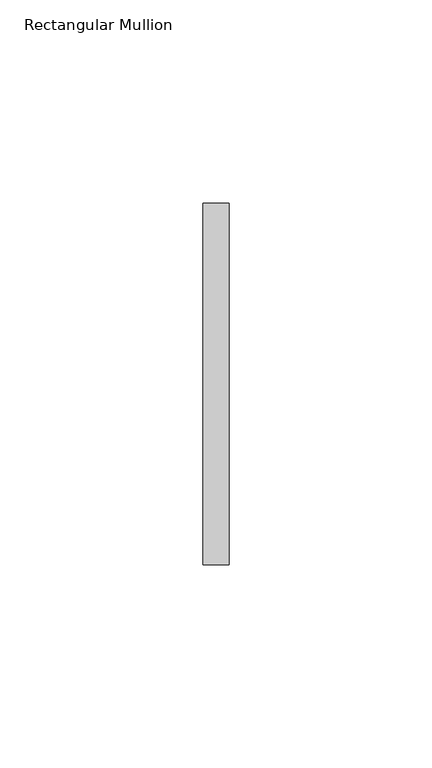
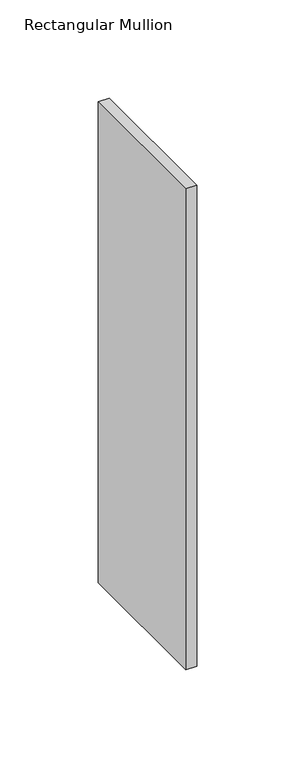
"""IFC4 building model written with IfcOpenShell, lengths in millimetres: member geometry, Rectangular Mullion."""

from ifc_helpers import new_model, si_unit, frame, origin, place, context, project, spatial, polyline, outline, extrude, source, transform, mapped, element, save


def rectangular_mullion_31f13742(model_context):
    return source(origin(), model_context, "Body", "SweptSolid", [
        extrude(outline(polyline([(0.0, 44.45), (0.0, -44.45), (-6.35, -44.45), (-6.35, 44.45), (0.0, 44.45)])), frame((0.0, 0.0, -298.45), z_axis=(0.0, 0.0, 1.0), x_axis=(1.0, 0.0, 0.0)), (0.0, 0.0, 1.0), 298.45),
    ])


if __name__ == "__main__":
    model = new_model("IFC4")
    model_context = context("Model", 3, world=origin())
    ifc_project = project(units=[si_unit("LENGTHUNIT", "METRE", prefix="MILLI")], contexts=[model_context])
    site = spatial("IfcSite", under=ifc_project)
    building = spatial("IfcBuilding", under=site)
    placement = place(None, origin())
    rectangular_mullion_shape = rectangular_mullion_31f13742(model_context)
    element("IfcMember", 1, ObjectType="Rectangular Mullion", at=placement, inside=building, context=model_context, shape_type="MappedRepresentation", body=[
        mapped(rectangular_mullion_shape, transform((0.0, 0.0, 0.0), x_axis=(1.0, 0.0, 0.0), y_axis=(0.0, 1.0, 0.0), z_axis=(0.0, 0.0, 1.0))),
    ])
    save(model, "model.ifc")
